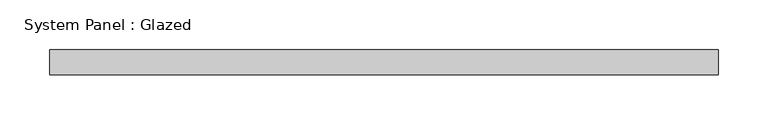
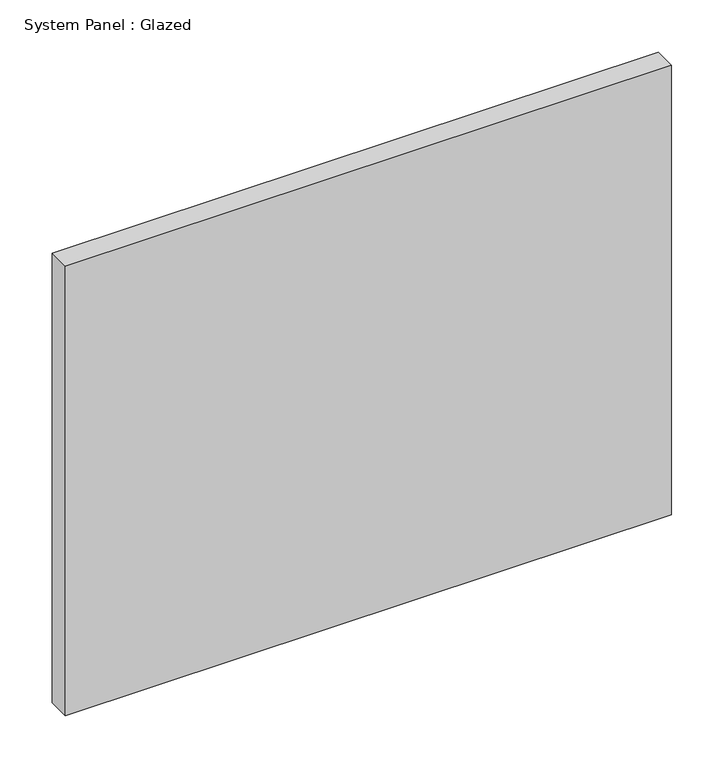
"""IFC4 building model written with IfcOpenShell, lengths in millimetres: plate geometry, System Panel : Glazed."""

from ifc_helpers import new_model, si_unit, origin, origin_with_axes, place, context, project, spatial, polyline, outline, extrude, source, transform, mapped, element, save


def system_panel_glazed_ff1af567(model_context):
    return source(origin(), model_context, "Body", "SweptSolid", [
        extrude(outline(polyline([(335.0, -49.5), (-335.0, -49.5), (-335.0, -24.5), (335.0, -24.5), (335.0, -49.5)])), origin_with_axes(), (0.0, 0.0, 1.0), 525.0),
    ])


if __name__ == "__main__":
    model = new_model("IFC4")
    model_context = context("Model", 3, world=origin())
    ifc_project = project(units=[si_unit("LENGTHUNIT", "METRE", prefix="MILLI")], contexts=[model_context])
    site = spatial("IfcSite", under=ifc_project)
    building = spatial("IfcBuilding", under=site)
    placement = place(None, origin())
    system_panel_glazed_shape = system_panel_glazed_ff1af567(model_context)
    element("IfcPlate", 1, ObjectType="System Panel : Glazed", at=placement, inside=building, context=model_context, shape_type="MappedRepresentation", body=[
        mapped(system_panel_glazed_shape, transform((0.0, 0.0, 0.0), x_axis=(1.0, 0.0, 0.0), y_axis=(0.0, 1.0, 0.0), z_axis=(0.0, 0.0, 1.0))),
    ])
    save(model, "model.ifc")
